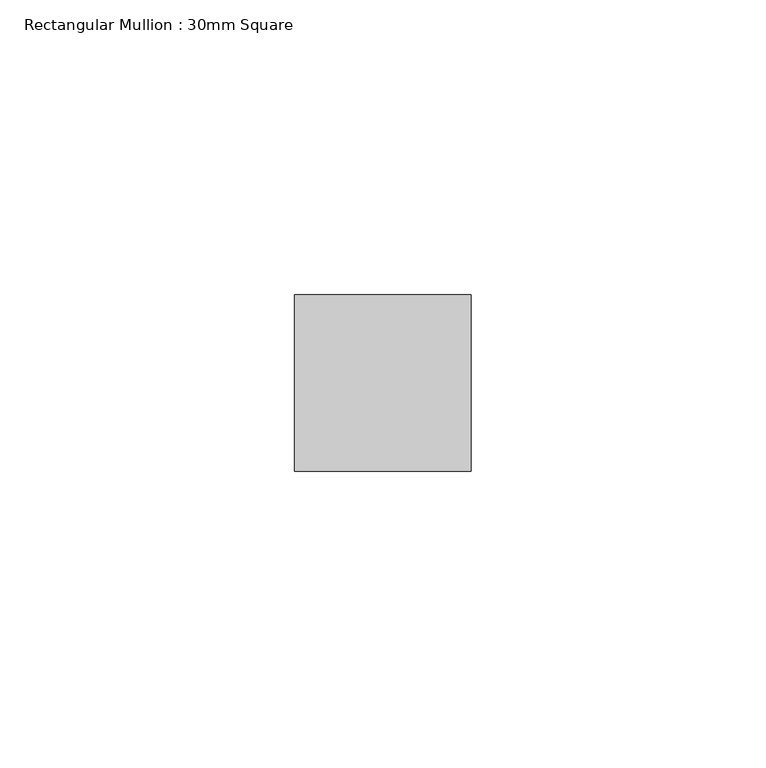
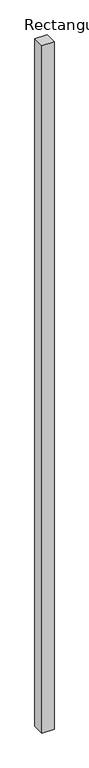
"""IFC4 building model written with IfcOpenShell, lengths in millimetres: member geometry, Rectangular Mullion : 30mm Square."""

from ifc_helpers import new_model, si_unit, frame, origin, place, context, project, spatial, polyline, outline, extrude, source, transform, mapped, element, save


def rectangular_mullion_30mm_square_06da45dc(model_context):
    return source(origin(), model_context, "Body", "SweptSolid", [
        extrude(outline(polyline([(0.0, 15.0), (0.0, -15.0), (-30.0, -15.0), (-30.0, 15.0), (0.0, 15.0)])), frame((0.0, 0.0, -1797.2666321), z_axis=(0.0, 0.0, 1.0), x_axis=(1.0, 0.0, 0.0)), (0.0, 0.0, 1.0), 1797.2666321),
    ])


if __name__ == "__main__":
    model = new_model("IFC4")
    model_context = context("Model", 3, world=origin())
    ifc_project = project(units=[si_unit("LENGTHUNIT", "METRE", prefix="MILLI")], contexts=[model_context])
    site = spatial("IfcSite", under=ifc_project)
    building = spatial("IfcBuilding", under=site)
    placement = place(None, origin())
    rectangular_mullion_30mm_square_shape = rectangular_mullion_30mm_square_06da45dc(model_context)
    element("IfcMember", 1, ObjectType="Rectangular Mullion : 30mm Square", at=placement, inside=building, context=model_context, shape_type="MappedRepresentation", body=[
        mapped(rectangular_mullion_30mm_square_shape, transform((0.0, 0.0, 0.0), x_axis=(1.0, 0.0, 0.0), y_axis=(0.0, 1.0, 0.0), z_axis=(0.0, 0.0, 1.0))),
    ])
    save(model, "model.ifc")
